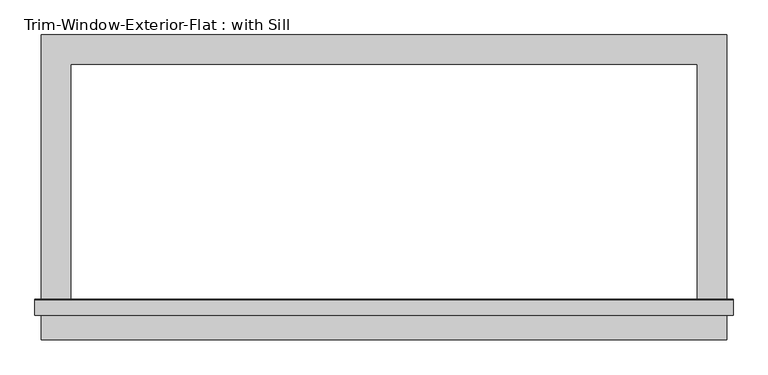
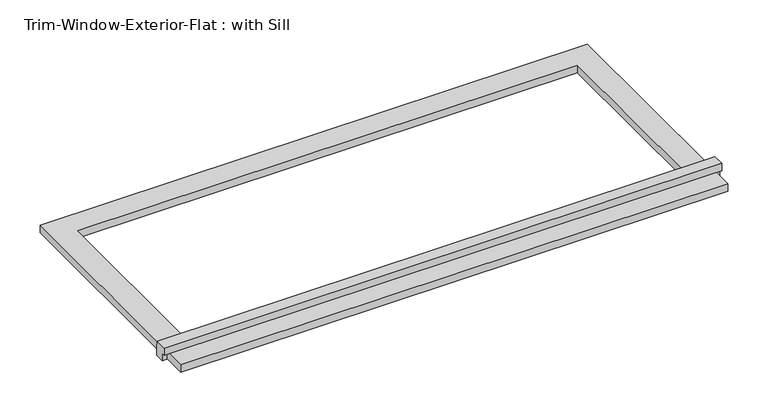
"""IFC4 building model written with IfcOpenShell, lengths in millimetres: proxy geometry, Trim-Window-Exterior-Flat : with Sill."""

from ifc_helpers import new_model, si_unit, frame, origin, origin_with_axes, place, context, project, spatial, polyline, outline, extrude, source, transform, mapped, element, save


def trim_window_exterior_flat_with_sill_b965b4b6(model_context):
    return source(origin(), model_context, "Body", "SweptSolid", [
        extrude(outline(polyline([(666.75, -479.3823709), (666.75, -536.5323709), (-666.75, -536.5323709), (-666.75, -479.3823709), (666.75, -479.3823709)])), origin_with_axes(), (0.0, 0.0, 1.0), 19.05),
        extrude(outline(polyline([(-488.95, 38.1), (-459.6580645, 38.1), (-457.2, 19.05), (-457.2, 0.0), (-479.3823709, 0.0), (-479.3823709, 19.05), (-488.95, 19.05), (-488.95, 38.1)])), frame((-679.45, 0.0, 0.0), z_axis=(1.0, 0.0, 0.0), x_axis=(0.0, 1.0, 0.0)), (0.0, 0.0, 1.0), 1358.9),
        extrude(outline(polyline([(-666.75, 57.15), (666.75, 57.15), (666.75, -457.2), (609.6, -457.2), (609.6, 0.0), (-609.6, 0.0), (-609.6, -457.2), (-666.75, -457.2), (-666.75, 57.15)])), origin_with_axes(), (0.0, 0.0, 1.0), 19.05),
    ])


if __name__ == "__main__":
    model = new_model("IFC4")
    model_context = context("Model", 3, world=origin())
    ifc_project = project(units=[si_unit("LENGTHUNIT", "METRE", prefix="MILLI")], contexts=[model_context])
    site = spatial("IfcSite", under=ifc_project)
    building = spatial("IfcBuilding", under=site)
    placement = place(None, origin())
    trim_window_exterior_flat_with_sill_shape = trim_window_exterior_flat_with_sill_b965b4b6(model_context)
    element("IfcBuildingElementProxy", 1, Name="Trim-Window-Exterior-Flat : with Sill", ObjectType="Trim-Window-Exterior-Flat : with Sill", at=placement, inside=building, context=model_context, shape_type="MappedRepresentation", body=[
        mapped(trim_window_exterior_flat_with_sill_shape, transform((0.0, 0.0, 0.0), x_axis=(1.0, 0.0, 0.0), y_axis=(0.0, 1.0, 0.0), z_axis=(0.0, 0.0, 1.0))),
    ])
    save(model, "model.ifc")
